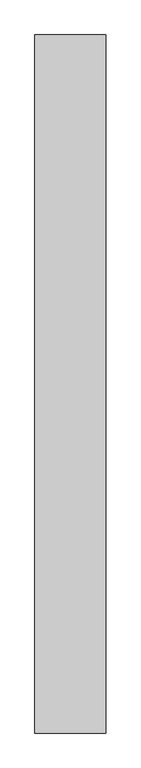
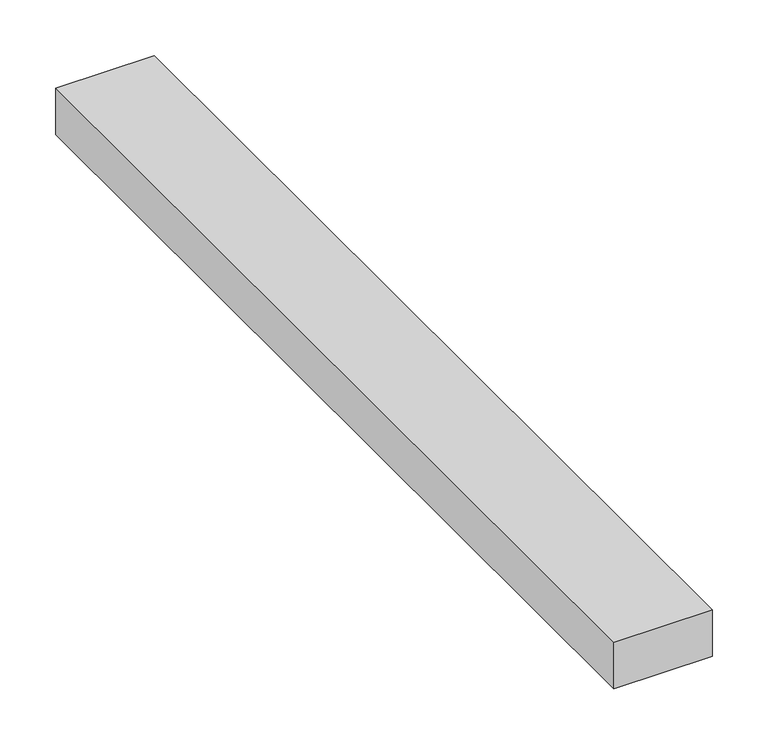
"""IFC4 building model written with IfcOpenShell, lengths in millimetres: proxy geometry."""

from ifc_helpers import new_model, si_unit, origin, origin_with_axes, place, context, project, spatial, polyline, outline, extrude, source, transform, mapped, element, save


def generic_models_b22b81e0(model_context):
    return source(origin(), model_context, "Body", "SweptSolid", [
        extrude(outline(polyline([(101.6, 0.0), (0.0, 0.0), (0.0, 1000.0), (101.6, 1000.0), (101.6, 0.0)])), origin_with_axes(), (0.0, 0.0, 1.0), 50.8),
    ])


if __name__ == "__main__":
    model = new_model("IFC4")
    model_context = context("Model", 3, world=origin())
    ifc_project = project(units=[si_unit("LENGTHUNIT", "METRE", prefix="MILLI")], contexts=[model_context])
    site = spatial("IfcSite", under=ifc_project)
    building = spatial("IfcBuilding", under=site)
    placement = place(None, origin())
    generic_models_shape = generic_models_b22b81e0(model_context)
    element("IfcBuildingElementProxy", 1, Name="Generic Models", at=placement, inside=building, context=model_context, shape_type="MappedRepresentation", body=[
        mapped(generic_models_shape, transform((0.0, 0.0, 0.0), x_axis=(1.0, 0.0, 0.0), y_axis=(0.0, 1.0, 0.0), z_axis=(0.0, 0.0, 1.0))),
    ])
    save(model, "model.ifc")
